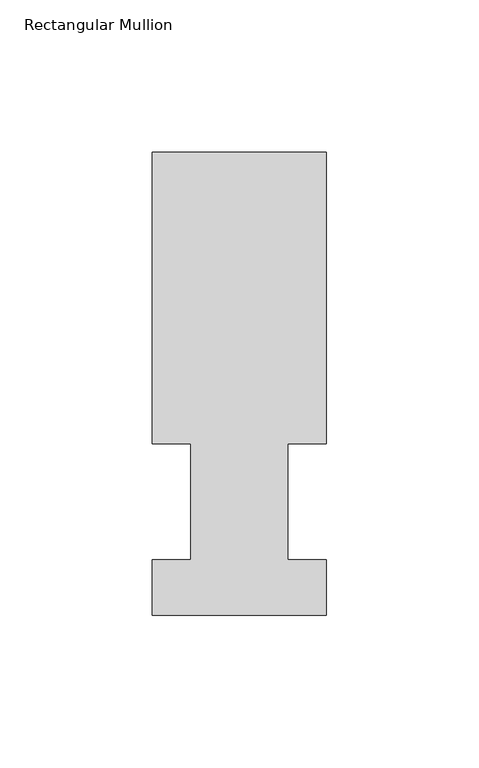
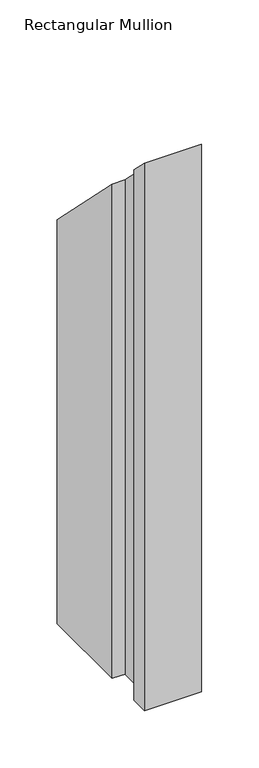
"""IFC4 building model written with IfcOpenShell, lengths in millimetres: member geometry, Rectangular Mullion."""

from ifc_helpers import new_model, si_unit, origin, place, context, project, spatial, faceted_brep, source, transform, mapped, element, save


def rectangular_mullion_55f3593d(model_context):
    return source(origin(), model_context, "Body", "Brep", [
        faceted_brep([(-57.15, 151.98725, -581.025), (0.0, 151.98725, -581.025), (0.0, 56.35625, -581.025), (-12.7, 56.35625, -581.025), (-12.7, 18.25625, -581.025), (0.0, 18.25625, -581.025), (0.0, -0.03175, -581.025), (-57.15, -0.03175, -581.025), (-57.15, 18.25625, -581.025), (-44.45, 18.25625, -581.025), (-44.45, 56.35625, -581.025), (-57.15, 56.35625, -581.025), (-57.15, 56.35625, -56.35625), (-57.15, 151.98725, -151.98725), (-44.45, 56.35625, -56.35625), (-44.45, 18.25625, -18.25625), (-57.15, 18.25625, -18.25625), (-57.15, -0.03175, 0.03175), (0.0, -0.03175, 0.03175), (0.0, 18.25625, -18.25625), (-12.7, 18.25625, -18.25625), (-12.7, 56.35625, -56.35625), (0.0, 56.35625, -56.35625), (0.0, 151.98725, -151.98725)], [[[0, 1, 2, 3, 4, 5, 6, 7, 8, 9, 10, 11]], [[12, 13, 0, 11]], [[14, 12, 11, 10]], [[15, 14, 10, 9]], [[16, 15, 9, 8]], [[17, 16, 8, 7]], [[18, 17, 7, 6]], [[19, 18, 6, 5]], [[20, 19, 5, 4]], [[21, 20, 4, 3]], [[22, 21, 3, 2]], [[23, 22, 2, 1]], [[13, 23, 1, 0]], [[13, 12, 14, 15, 16, 17, 18, 19, 20, 21, 22, 23]]]),
    ])


if __name__ == "__main__":
    model = new_model("IFC4")
    model_context = context("Model", 3, world=origin())
    ifc_project = project(units=[si_unit("LENGTHUNIT", "METRE", prefix="MILLI")], contexts=[model_context])
    site = spatial("IfcSite", under=ifc_project)
    building = spatial("IfcBuilding", under=site)
    placement = place(None, origin())
    rectangular_mullion_shape = rectangular_mullion_55f3593d(model_context)
    element("IfcMember", 1, ObjectType="Rectangular Mullion", at=placement, inside=building, context=model_context, shape_type="MappedRepresentation", body=[
        mapped(rectangular_mullion_shape, transform((0.0, 0.0, 0.0), x_axis=(1.0, 0.0, 0.0), y_axis=(0.0, 1.0, 0.0), z_axis=(0.0, 0.0, 1.0))),
    ])
    save(model, "model.ifc")
